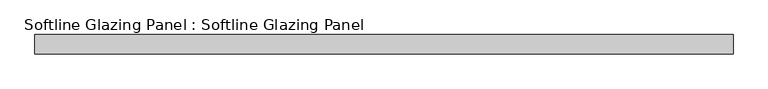
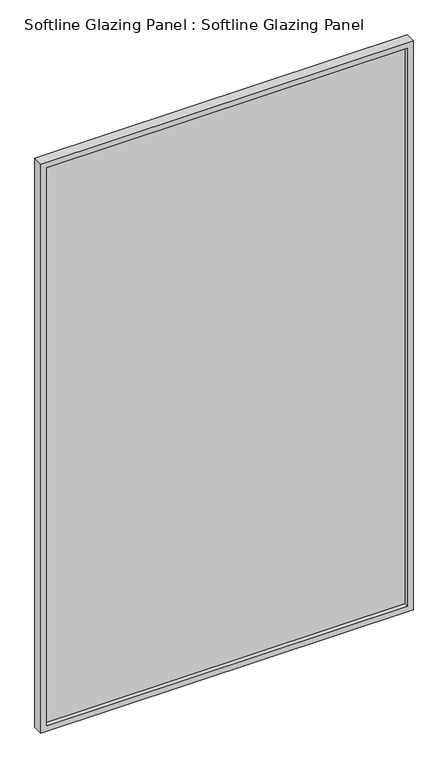
"""IFC4 building model written with IfcOpenShell, lengths in millimetres: plate geometry, Softline Glazing Panel : Softline Glazing Panel."""

from ifc_helpers import new_model, si_unit, frame, origin, place, context, project, spatial, polyline, outline, extrude, faceted_brep, source, transform, mapped, element, save


def softline_glazing_panel_softline_glazing_panel_4ac653ee(model_context):
    return source(origin(), model_context, "Body", "SolidModel", [
        extrude(outline(polyline([(804.0, -4.0), (-804.0, -4.0), (-804.0, 4.0), (804.0, 4.0), (804.0, -4.0)])), frame((0.0, 0.0, 16.0), z_axis=(0.0, 0.0, 1.0), x_axis=(1.0, 0.0, 0.0)), (0.0, 0.0, 1.0), 2614.0),
        faceted_brep([(794.0, -4.0, 26.0), (-794.0, -4.0, 26.0), (-794.0, -22.5, 26.0), (794.0, -22.5, 26.0), (804.0, 4.0, 16.0), (-804.0, 4.0, 16.0), (-804.0, -4.0, 16.0), (804.0, -4.0, 16.0), (794.0, 22.5, 26.0), (-794.0, 22.5, 26.0), (-794.0, 4.0, 26.0), (794.0, 4.0, 26.0), (820.0, -22.5, 0.0), (-820.0, -22.5, 0.0), (-820.0, 22.5, 0.0), (820.0, 22.5, 0.0), (-794.0, -4.0, 2620.0), (-794.0, -22.5, 2620.0), (-804.0, 4.0, 2630.0), (-804.0, -4.0, 2630.0), (-794.0, 22.5, 2620.0), (-794.0, 4.0, 2620.0), (-820.0, -22.5, 2646.0), (-820.0, 22.5, 2646.0), (794.0, -4.0, 2620.0), (794.0, -22.5, 2620.0), (804.0, 4.0, 2630.0), (804.0, -4.0, 2630.0), (794.0, 22.5, 2620.0), (794.0, 4.0, 2620.0), (820.0, -22.5, 2646.0), (820.0, 22.5, 2646.0)], [[[0, 1, 2, 3]], [[4, 5, 6, 7]], [[8, 9, 10, 11]], [[12, 13, 14, 15]], [[1, 16, 17, 2]], [[5, 18, 19, 6]], [[9, 20, 21, 10]], [[13, 22, 23, 14]], [[16, 24, 25, 17]], [[18, 26, 27, 19]], [[20, 28, 29, 21]], [[22, 30, 31, 23]], [[13, 12, 30, 22], [3, 2, 17, 25]], [[24, 0, 3, 25]], [[7, 6, 19, 27], [1, 0, 24, 16]], [[26, 4, 7, 27]], [[5, 4, 26, 18], [11, 10, 21, 29]], [[28, 8, 11, 29]], [[15, 14, 23, 31], [9, 8, 28, 20]], [[30, 12, 15, 31]]]),
    ])


if __name__ == "__main__":
    model = new_model("IFC4")
    model_context = context("Model", 3, world=origin())
    ifc_project = project(units=[si_unit("LENGTHUNIT", "METRE", prefix="MILLI")], contexts=[model_context])
    site = spatial("IfcSite", under=ifc_project)
    building = spatial("IfcBuilding", under=site)
    placement = place(None, origin())
    softline_glazing_panel_softline_glazing_panel_shape = softline_glazing_panel_softline_glazing_panel_4ac653ee(model_context)
    element("IfcPlate", 1, ObjectType="Softline Glazing Panel : Softline Glazing Panel", at=placement, inside=building, context=model_context, shape_type="MappedRepresentation", body=[
        mapped(softline_glazing_panel_softline_glazing_panel_shape, transform((0.0, 0.0, 0.0), x_axis=(1.0, 0.0, 0.0), y_axis=(0.0, 1.0, 0.0), z_axis=(0.0, 0.0, 1.0))),
    ])
    save(model, "model.ifc")
